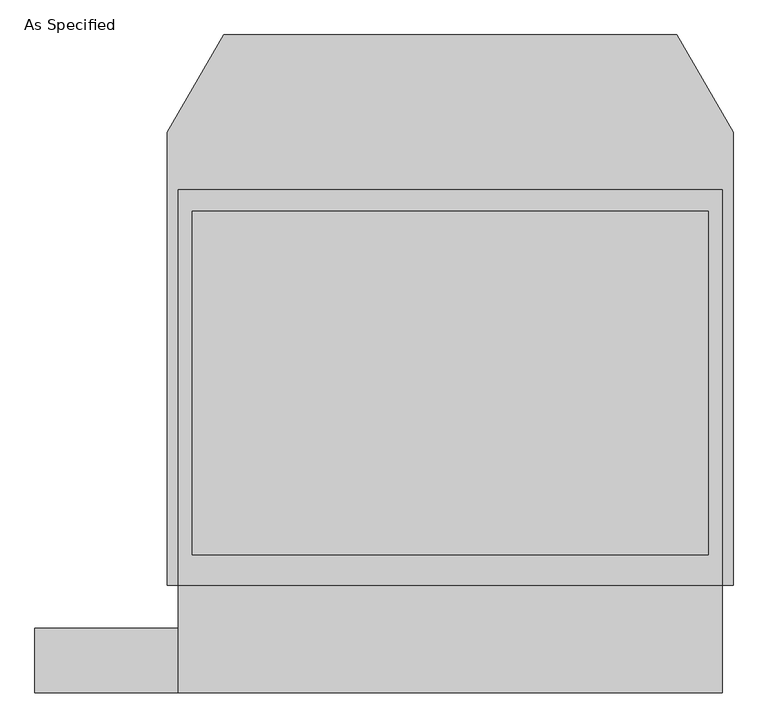
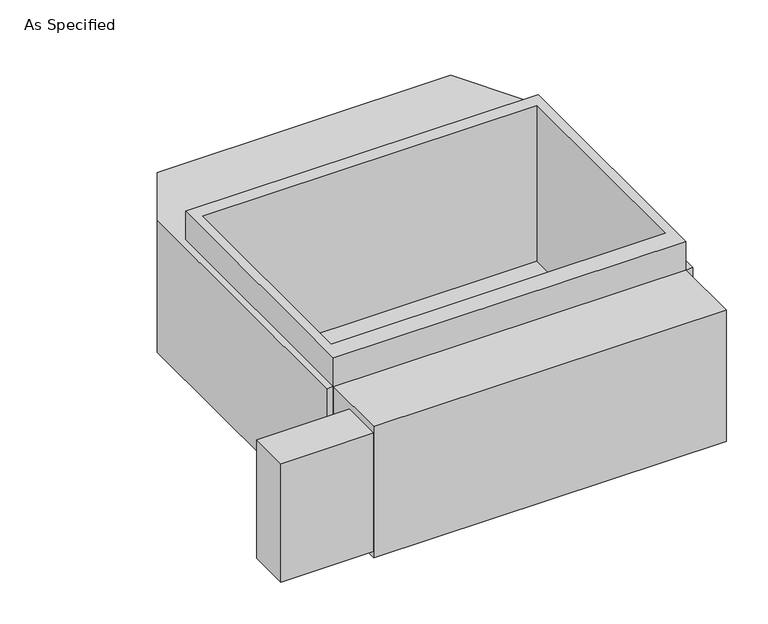
"""IFC4 building model written with IfcOpenShell, lengths in millimetres: proxy geometry, As Specified."""

from ifc_helpers import new_model, si_unit, frame, origin, place, context, project, spatial, polyline, outline, extrude, faceted_brep, source, transform, mapped, element, save


def as_specified_60065344(model_context):
    return source(origin(), model_context, "Body", "SolidModel", [
        extrude(outline(polyline([(-965.2, -1166.5148438), (-1473.2, -1166.5148438), (-1473.2, -937.9148438), (-965.2, -937.9148438), (-965.2, -1166.5148438)])), frame((0.0, 0.0, -749.3), z_axis=(0.0, 0.0, 1.0), x_axis=(1.0, 0.0, 0.0)), (0.0, 0.0, 1.0), 685.8),
        extrude(outline(polyline([(965.2, 617.8351562), (965.2, -785.5148438), (-965.2, -785.5148438), (-965.2, 617.8351562), (965.2, 617.8351562)]), holes=[polyline([(-914.4, 541.6748437), (-914.4, -677.5251563), (914.4, -677.5251563), (914.4, 541.6748437), (-914.4, 541.6748437)])]), frame((0.0, 0.0, -762.0), z_axis=(0.0, 0.0, 1.0), x_axis=(1.0, 0.0, 0.0)), (0.0, 0.0, 1.0), 901.7),
        faceted_brep([(965.2, -1166.5148438, -787.4), (-965.2, -1166.5148438, -787.4), (-965.2, -785.5148438, -787.4), (-1003.3, -785.5148438, -787.4), (-1003.3, 821.0748437, -787.4), (-803.860123, 1166.5148437, -787.4), (803.860123, 1166.5148437, -787.4), (1003.3, 821.0748437, -787.4), (1003.3, -785.5148438, -787.4), (965.2, -785.5148438, -787.4), (965.2, -1166.5148438, -25.4), (965.2, -785.5148438, -25.4), (1003.3, -785.5148438, -25.4), (1003.3, 821.0748437, -25.4), (803.860123, 1166.5148437, -25.4), (-803.860123, 1166.5148437, -25.4), (-1003.3, 821.0748437, -25.4), (-1003.3, -785.5148438, -25.4), (-965.2, -785.5148438, -25.4), (-965.2, -1166.5148438, -25.4), (914.4, 541.6748437, -25.4), (914.4, -677.5251563, -25.4), (-914.4, -677.5251563, -25.4), (-914.4, 541.6748437, -25.4), (914.4, 541.6748437, -762.0), (-914.4, 541.6748437, -762.0), (-914.4, -677.5251563, -762.0), (914.4, -677.5251563, -762.0)], [[[0, 1, 2, 3, 4, 5, 6, 7, 8, 9]], [[10, 11, 12, 13, 14, 15, 16, 17, 18, 19], [20, 21, 22, 23]], [[6, 5, 15, 14]], [[3, 17, 16, 4]], [[17, 3, 2, 18]], [[8, 12, 11, 9]], [[12, 8, 7, 13]], [[0, 9, 11, 10]], [[2, 1, 19, 18]], [[1, 0, 10, 19]], [[5, 4, 16, 15]], [[7, 6, 14, 13]], [[24, 25, 26, 27]], [[24, 27, 21, 20]], [[27, 26, 22, 21]], [[26, 25, 23, 22]], [[25, 24, 20, 23]]]),
    ])


if __name__ == "__main__":
    model = new_model("IFC4")
    model_context = context("Model", 3, world=origin())
    ifc_project = project(units=[si_unit("LENGTHUNIT", "METRE", prefix="MILLI")], contexts=[model_context])
    site = spatial("IfcSite", under=ifc_project)
    building = spatial("IfcBuilding", under=site)
    placement = place(None, origin())
    as_specified_shape = as_specified_60065344(model_context)
    element("IfcBuildingElementProxy", 1, Name="As Specified", ObjectType="As Specified", at=placement, inside=building, context=model_context, shape_type="MappedRepresentation", body=[
        mapped(as_specified_shape, transform((0.0, 0.0, 0.0), x_axis=(1.0, 0.0, 0.0), y_axis=(0.0, 1.0, 0.0), z_axis=(0.0, 0.0, 1.0))),
    ])
    save(model, "model.ifc")
